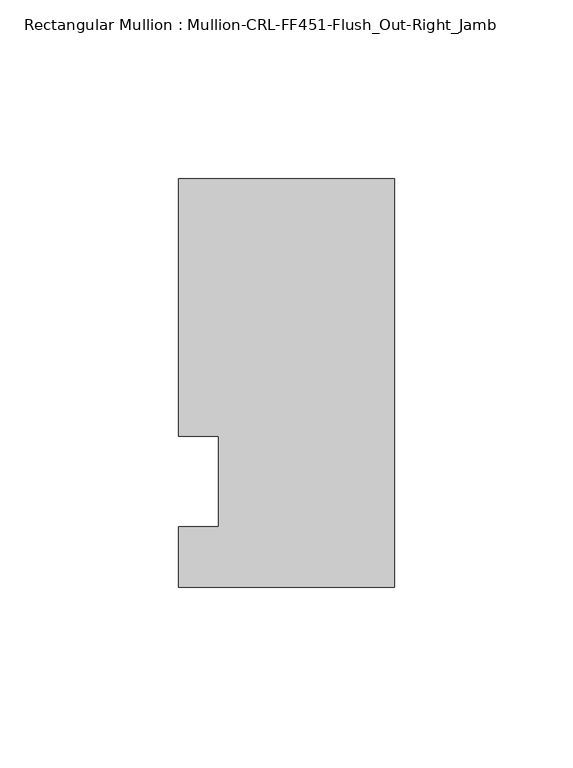
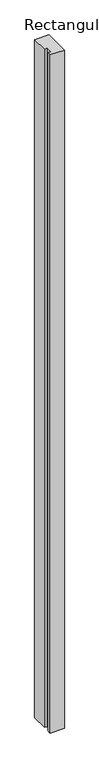
"""IFC4 building model written with IfcOpenShell, lengths in millimetres: member geometry, Rectangular Mullion : Mullion-CRL-FF451-Flush_Out-Right_Jamb."""

from ifc_helpers import new_model, si_unit, frame, origin, place, context, project, spatial, polyline, outline, extrude, source, transform, mapped, element, save


def rectangular_mullion_mullion_crl_ff451_flush_out_right_jamb_78659007(model_context):
    return source(origin(), model_context, "Body", "SweptSolid", [
        extrude(outline(polyline([(0.0, 84.6650108), (0.0, -29.6349892), (-60.362207, -29.6349892), (-60.362207, -12.7), (-49.222241, -12.7), (-49.222241, 12.7), (-60.362207, 12.7), (-60.362207, 84.6650108), (0.0, 84.6650108)])), frame((0.0, 0.0, -3057.525), z_axis=(0.0, 0.0, 1.0), x_axis=(1.0, 0.0, 0.0)), (0.0, 0.0, 1.0), 3057.525),
    ])


if __name__ == "__main__":
    model = new_model("IFC4")
    model_context = context("Model", 3, world=origin())
    ifc_project = project(units=[si_unit("LENGTHUNIT", "METRE", prefix="MILLI")], contexts=[model_context])
    site = spatial("IfcSite", under=ifc_project)
    building = spatial("IfcBuilding", under=site)
    placement = place(None, origin())
    rectangular_mullion_mullion_crl_ff451_flush_out_right_jamb_shape = rectangular_mullion_mullion_crl_ff451_flush_out_right_jamb_78659007(model_context)
    element("IfcMember", 1, ObjectType="Rectangular Mullion : Mullion-CRL-FF451-Flush_Out-Right_Jamb", at=placement, inside=building, context=model_context, shape_type="MappedRepresentation", body=[
        mapped(rectangular_mullion_mullion_crl_ff451_flush_out_right_jamb_shape, transform((0.0, 0.0, 0.0), x_axis=(1.0, 0.0, 0.0), y_axis=(0.0, 1.0, 0.0), z_axis=(0.0, 0.0, 1.0))),
    ])
    save(model, "model.ifc")
